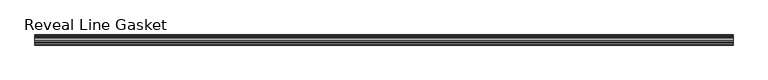
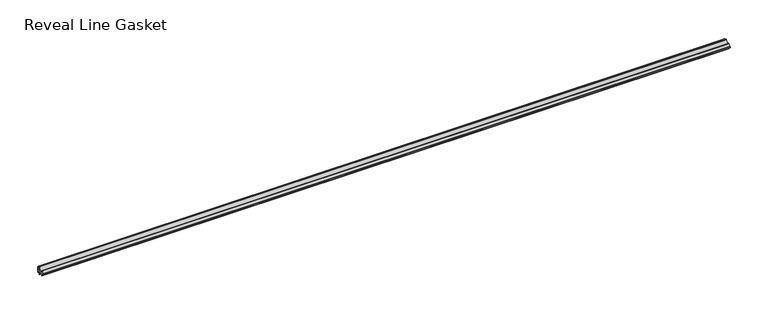
"""IFC4 building model written with IfcOpenShell, lengths in millimetres: furniture geometry, Reveal Line Gasket."""

import ifcopenshell
import ifcopenshell.guid

model = None  # the IFC model being written
_history = None  # IfcOwnerHistory: only IFC2X3 demands one
_inside = {}  # id of a spatial element -> (the spatial element, [elements in it])
_under = {}  # id of a project, library or spatial element -> (it, [spatial elements below it])
_declared = {}  # id of a project -> (the project, [libraries it declares])
_typed = {}  # id of a type object -> (the type object, [elements of that type])
_made_of = {}  # id of a material, layer set ... -> (it, [elements and type objects made of it])


def new_model(schema):
    """Start an empty IFC model of exactly this schema.

    Asked for "IFC4X3", IfcOpenShell would pick the latest addendum, in which some entities
    have other attributes; the version numbers below select the first issue.
    IFC2X3 requires an IfcOwnerHistory on every rooted entity: one is made here for all.
    """
    global model, _history
    if schema == "IFC4X3":
        model = ifcopenshell.file(schema_version=(4, 3, 0, 0))
    else:
        model = ifcopenshell.file(schema=schema)
    _inside.clear()
    _under.clear()
    _declared.clear()
    _typed.clear()
    _made_of.clear()
    _history = None
    if model.schema == "IFC2X3":
        org = make("IfcOrganization", Name="unknown")
        user = make(
            "IfcPersonAndOrganization",
            ThePerson=make("IfcPerson", FamilyName="unknown"),
            TheOrganization=org,
        )
        app = make(
            "IfcApplication",
            ApplicationDeveloper=org,
            Version="unknown",
            ApplicationFullName="unknown",
            ApplicationIdentifier="unknown",
        )
        _history = make(
            "IfcOwnerHistory",
            OwningUser=user,
            OwningApplication=app,
            ChangeAction="ADDED",
            CreationDate=0,
        )
    return model


def make(cls, **values):
    """One entity of the class cls with the attributes given. An attribute that is None is left unset."""
    return model.create_entity(
        cls, **{name: value for name, value in values.items() if value is not None}
    )


def rooted(cls, **values):
    """An entity with a GlobalId (a new one), such as an element, a storey or a relation."""
    return make(cls, GlobalId=ifcopenshell.guid.new(), OwnerHistory=_history, **values)


def si_unit(unit_type, name, prefix=None):
    """IfcSIUnit, for example si_unit("LENGTHUNIT", "METRE", prefix="MILLI")."""
    return make("IfcSIUnit", UnitType=unit_type, Prefix=prefix, Name=name)


def assignment(units):
    """IfcUnitAssignment: the units of a project."""
    return None if units is None else make("IfcUnitAssignment", Units=units)


def point(xyz):
    """IfcCartesianPoint."""
    return None if xyz is None else make("IfcCartesianPoint", Coordinates=xyz)


def direction(xyz):
    """IfcDirection."""
    return None if xyz is None else make("IfcDirection", DirectionRatios=xyz)


def frame(location, z_axis=None, x_axis=None):
    """IfcAxis2Placement3D, a coordinate frame: its origin and axes. An axis left out is left unset."""
    return make(
        "IfcAxis2Placement3D",
        Location=point(location),
        Axis=direction(z_axis),
        RefDirection=direction(x_axis),
    )


def frame_2d(location, x_axis=None):
    """IfcAxis2Placement2D, a coordinate frame in the plane: its origin and x axis."""
    return make(
        "IfcAxis2Placement2D", Location=point(location), RefDirection=direction(x_axis)
    )


def origin():
    """The frame at (0, 0, 0) with its axes left unset."""
    return frame((0.0, 0.0, 0.0))


def place(relative_to, where):
    """IfcLocalPlacement: puts the frame where relative to a parent placement (None: the world)."""
    return make(
        "IfcLocalPlacement", PlacementRelTo=relative_to, RelativePlacement=where
    )


def context(
    kind, dimensions, precision=None, world=None, true_north=None, identifier=None
):
    """IfcGeometricRepresentationContext, for example the 3D "Model" context."""
    return make(
        "IfcGeometricRepresentationContext",
        ContextIdentifier=identifier,
        ContextType=kind,
        CoordinateSpaceDimension=dimensions,
        Precision=precision,
        WorldCoordinateSystem=world,
        TrueNorth=true_north,
    )


def project(units=None, contexts=None):
    """IfcProject with its units and contexts."""
    return rooted(
        "IfcProject",
        Name="project",
        RepresentationContexts=contexts,
        UnitsInContext=assignment(units),
    )


def spatial(cls, under=None, at=None, **own):
    """A site, building, storey or space (cls), placed at a placement, below another one or the project."""
    s = rooted(cls, ObjectPlacement=at, **own)
    if under is not None:
        _under.setdefault(under.id(), (under, []))[1].append(s)
    return s


def polyline(points):
    """IfcPolyline through the points."""
    return make("IfcPolyline", Points=[point(p) for p in points])


def circle_curve(where, radius):
    """IfcCircle in the frame where."""
    return make("IfcCircle", Position=where, Radius=radius)


def trimmed(basis, trim1, trim2, sense, master):
    """IfcTrimmedCurve: the piece of a basis curve between two trims."""
    return make(
        "IfcTrimmedCurve",
        BasisCurve=basis,
        Trim1=trim1,
        Trim2=trim2,
        SenseAgreement=sense,
        MasterRepresentation=master,
    )


def segment(curve, same_sense, transition):
    """IfcCompositeCurveSegment."""
    return make(
        "IfcCompositeCurveSegment",
        Transition=transition,
        SameSense=same_sense,
        ParentCurve=curve,
    )


def composite_curve(segments, self_intersect=None):
    """IfcCompositeCurve: segments joined end to end."""
    return make("IfcCompositeCurve", Segments=segments, SelfIntersect=self_intersect)


def outline(outer, holes=None, kind="AREA"):
    """IfcArbitraryClosedProfileDef: a profile drawn as a closed curve; with holes, ...WithVoids."""
    if holes is None:
        return make("IfcArbitraryClosedProfileDef", ProfileType=kind, OuterCurve=outer)
    return make(
        "IfcArbitraryProfileDefWithVoids",
        ProfileType=kind,
        OuterCurve=outer,
        InnerCurves=holes,
    )


def extrude(swept, where, along, depth):
    """IfcExtrudedAreaSolid: the profile swept, set in the frame where, extruded along a direction by depth."""
    return make(
        "IfcExtrudedAreaSolid",
        SweptArea=swept,
        Position=where,
        ExtrudedDirection=direction(along),
        Depth=depth,
    )


def shape(context_of_items, identifier, shape_type, items):
    """IfcShapeRepresentation: the items that make up one representation, for example the "Body"."""
    return make(
        "IfcShapeRepresentation",
        ContextOfItems=context_of_items,
        RepresentationIdentifier=identifier,
        RepresentationType=shape_type,
        Items=items,
    )


def source(mapping_origin, context_of_items, identifier, shape_type, items):
    """IfcRepresentationMap: a shape defined once, which mapped items show again and again."""
    return make(
        "IfcRepresentationMap",
        MappingOrigin=mapping_origin,
        MappedRepresentation=shape(context_of_items, identifier, shape_type, items),
    )


def transform(
    local_origin,
    x_axis=None,
    y_axis=None,
    z_axis=None,
    scale=None,
    scale2=None,
    scale3=None,
    uniform=True,
):
    """IfcCartesianTransformationOperator3D, or its non-uniform kind. x_axis, y_axis, z_axis: its Axis1, 2, 3."""
    if uniform:
        return make(
            "IfcCartesianTransformationOperator3D",
            Axis1=direction(x_axis),
            Axis2=direction(y_axis),
            LocalOrigin=point(local_origin),
            Scale=scale,
            Axis3=direction(z_axis),
        )
    return make(
        "IfcCartesianTransformationOperator3DnonUniform",
        Axis1=direction(x_axis),
        Axis2=direction(y_axis),
        LocalOrigin=point(local_origin),
        Scale=scale,
        Axis3=direction(z_axis),
        Scale2=scale2,
        Scale3=scale3,
    )


def mapped(mapping_source, mapping_target):
    """IfcMappedItem: shows the shape of a source again, moved by a transform."""
    return make(
        "IfcMappedItem", MappingSource=mapping_source, MappingTarget=mapping_target
    )


def made_of(thing, what):
    """Note that an element or type object is made of a material, layer set ...; save() writes the relation."""
    if what is not None:
        _made_of.setdefault(what.id(), (what, []))[1].append(thing)
    return thing


def element(
    cls,
    number,
    at=None,
    inside=None,
    cuts=None,
    type_object=None,
    material=None,
    context=None,
    identifier="Body",
    shape_type=None,
    held_by="IfcProductDefinitionShape",
    body=None,
    shapes=None,
    **own,
):
    """One element of the class cls, such as IfcWall. Its Tag is "e" and its number.

    at: its placement. inside: the storey or other place that contains it. cuts: it is an
    opening in that element (IfcRelVoidsElement). A single representation is given by context,
    identifier, shape_type and body (its items); several are given by shapes. held_by: the class
    of the entity that holds the representations. save() writes the other relations.
    """
    e = rooted(cls, Tag="e%d" % number, ObjectPlacement=at, **own)
    if body is not None:
        shapes = [shape(context, identifier, shape_type, body)]
    if shapes is not None:
        e.Representation = make(held_by, Representations=shapes)
    if inside is not None:
        _inside.setdefault(inside.id(), (inside, []))[1].append(e)
    if cuts is not None:
        rooted(
            "IfcRelVoidsElement", RelatingBuildingElement=cuts, RelatedOpeningElement=e
        )
    if type_object is not None:
        _typed.setdefault(type_object.id(), (type_object, []))[1].append(e)
    return made_of(e, material)


def aggregate(whole, parts):
    """IfcRelAggregates: a whole, such as a stair, and the parts it consists of."""
    return rooted("IfcRelAggregates", RelatingObject=whole, RelatedObjects=parts)


def save(model, path):
    """Write the relations noted so far, then the file.

    IfcRelAggregates (storeys below a building ...), IfcRelContainedInSpatialStructure (elements
    in a storey), IfcRelDefinesByType, IfcRelAssociatesMaterial and IfcRelDeclares: one each for
    every whole, place, type object, material and project.
    """
    for whole, parts in _under.values():
        aggregate(whole, parts)
    for where, things in _inside.values():
        rooted(
            "IfcRelContainedInSpatialStructure",
            RelatedElements=things,
            RelatingStructure=where,
        )
    for kind, things in _typed.values():
        rooted("IfcRelDefinesByType", RelatedObjects=things, RelatingType=kind)
    for what, things in _made_of.values():
        rooted("IfcRelAssociatesMaterial", RelatedObjects=things, RelatingMaterial=what)
    for by, libraries in _declared.values():
        rooted("IfcRelDeclares", RelatingContext=by, RelatedDefinitions=libraries)
    model.write(path)


def reveal_line_gasket_fc032984(model_context):
    return source(origin(), model_context, "Body", "SweptSolid", [
        extrude(outline(composite_curve([segment(polyline([(7.6326998, 1603.2), (7.6326998, 1597.2), (7.4091917, 1596.2445073), (6.8813059, 1595.3115316)]), True, "CONTINUOUS"), segment(trimmed(circle_curve(frame_2d((6.5243141, 1595.5135207)), 0.4101739), [point((6.8813059, 1595.3115316))], [point((6.1246704, 1595.6058653))], False, "CARTESIAN"), True, "CONTINUOUS"), segment(polyline([(6.1246704, 1595.6058653), (6.3626997, 1597.3020914), (6.3626997, 1599.3345473)]), True, "CONTINUOUS"), segment(trimmed(circle_curve(frame_2d((5.6959605, 1598.9180742)), 0.786124), [point((6.3626997, 1599.3345473))], [point((5.0926996, 1599.422125))], True, "CARTESIAN"), True, "CONTINUOUS"), segment(polyline([(5.0926996, 1599.422125), (0.7492996, 1599.422125), (3.7293824, 1594.2604705)]), True, "CONTINUOUS"), segment(trimmed(circle_curve(frame_2d((3.3132479, 1594.1950239)), 0.4212495), [point((3.7293824, 1594.2604705))], [point((3.0485022, 1593.8673642))], False, "CARTESIAN"), True, "CONTINUOUS"), segment(polyline([(3.0485022, 1593.8673642), (-0.5742594, 1599.422125), (-4.8262978, 1599.422125), (-3.1660374, 1596.5464703)]), True, "CONTINUOUS"), segment(trimmed(circle_curve(frame_2d((-3.5978728, 1596.4881145)), 0.4357605), [point((-3.1660374, 1596.5464703))], [point((-3.864328, 1596.1433119))], False, "CARTESIAN"), True, "CONTINUOUS"), segment(polyline([(-3.864328, 1596.1433119), (-6.1944059, 1599.422125), (-7.6326998, 1599.422125), (-7.6326998, 1600.977875), (-6.1944059, 1600.977875), (-3.864328, 1604.2566881)]), True, "CONTINUOUS"), segment(trimmed(circle_curve(frame_2d((-3.5978728, 1603.9118855)), 0.4357605), [point((-3.864328, 1604.2566881))], [point((-3.1660374, 1603.8535297))], False, "CARTESIAN"), True, "CONTINUOUS"), segment(polyline([(-3.1660374, 1603.8535297), (-4.8262978, 1600.977875), (-0.5742594, 1600.977875), (3.0485022, 1606.5326358)]), True, "CONTINUOUS"), segment(trimmed(circle_curve(frame_2d((3.3132479, 1606.2049761)), 0.4212495), [point((3.0485022, 1606.5326358))], [point((3.7293824, 1606.1395295))], False, "CARTESIAN"), True, "CONTINUOUS"), segment(polyline([(3.7293824, 1606.1395295), (0.7492996, 1600.977875), (5.0926996, 1600.977875)]), True, "CONTINUOUS"), segment(trimmed(circle_curve(frame_2d((5.6959605, 1601.4819258)), 0.786124), [point((5.0926996, 1600.977875))], [point((6.3626997, 1601.0654527))], True, "CARTESIAN"), True, "CONTINUOUS"), segment(polyline([(6.3626997, 1601.0654527), (6.3626997, 1603.0979086), (6.1246704, 1604.7941347)]), True, "CONTINUOUS"), segment(trimmed(circle_curve(frame_2d((6.5243141, 1604.8864793)), 0.4101739), [point((6.1246704, 1604.7941347))], [point((6.8813059, 1605.0884684))], False, "CARTESIAN"), True, "CONTINUOUS"), segment(polyline([(6.8813059, 1605.0884684), (7.4091917, 1604.1554927), (7.6326998, 1603.2)]), True, "CONTINUOUS")], self_intersect=False)), frame((-525.1749999, 0.0, 0.0), z_axis=(1.0, 0.0, 0.0), x_axis=(0.0, 1.0, 0.0)), (0.0, 0.0, 1.0), 1050.3499999),
    ])


if __name__ == "__main__":
    model = new_model("IFC4")
    model_context = context("Model", 3, world=origin())
    ifc_project = project(units=[si_unit("LENGTHUNIT", "METRE", prefix="MILLI")], contexts=[model_context])
    site = spatial("IfcSite", under=ifc_project)
    building = spatial("IfcBuilding", under=site)
    placement = place(None, origin())
    reveal_line_gasket_shape = reveal_line_gasket_fc032984(model_context)
    element("IfcFurniture", 1, ObjectType="Reveal Line Gasket", at=placement, inside=building, context=model_context, shape_type="MappedRepresentation", body=[
        mapped(reveal_line_gasket_shape, transform((0.0, 0.0, 0.0), x_axis=(1.0, 0.0, 0.0), y_axis=(0.0, 1.0, 0.0), z_axis=(0.0, 0.0, 1.0))),
    ])
    save(model, "model.ifc")
